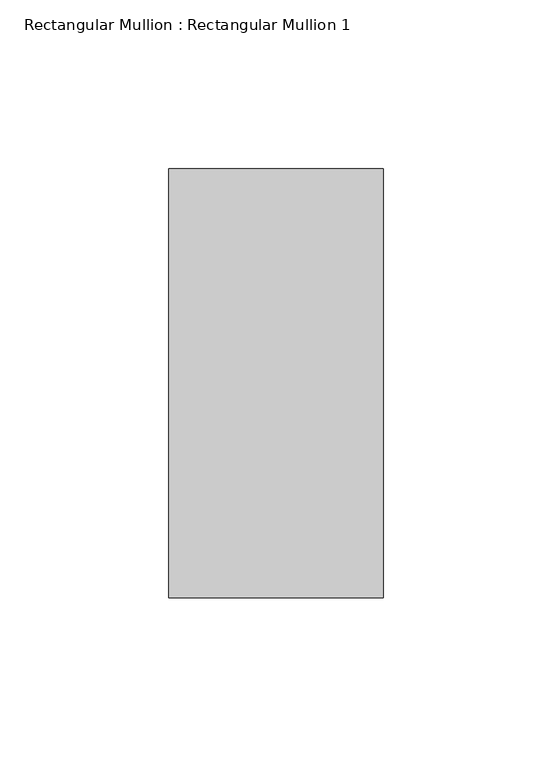
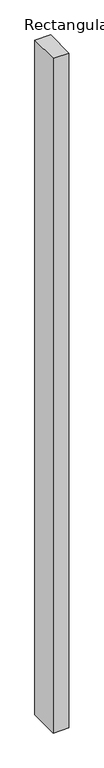
"""IFC4 building model written with IfcOpenShell, lengths in millimetres: member geometry, Rectangular Mullion : Rectangular Mullion 1."""

import ifcopenshell
import ifcopenshell.guid

model = None  # the IFC model being written
_history = None  # IfcOwnerHistory: only IFC2X3 demands one
_inside = {}  # id of a spatial element -> (the spatial element, [elements in it])
_under = {}  # id of a project, library or spatial element -> (it, [spatial elements below it])
_declared = {}  # id of a project -> (the project, [libraries it declares])
_typed = {}  # id of a type object -> (the type object, [elements of that type])
_made_of = {}  # id of a material, layer set ... -> (it, [elements and type objects made of it])


def new_model(schema):
    """Start an empty IFC model of exactly this schema.

    Asked for "IFC4X3", IfcOpenShell would pick the latest addendum, in which some entities
    have other attributes; the version numbers below select the first issue.
    IFC2X3 requires an IfcOwnerHistory on every rooted entity: one is made here for all.
    """
    global model, _history
    if schema == "IFC4X3":
        model = ifcopenshell.file(schema_version=(4, 3, 0, 0))
    else:
        model = ifcopenshell.file(schema=schema)
    _inside.clear()
    _under.clear()
    _declared.clear()
    _typed.clear()
    _made_of.clear()
    _history = None
    if model.schema == "IFC2X3":
        org = make("IfcOrganization", Name="unknown")
        user = make(
            "IfcPersonAndOrganization",
            ThePerson=make("IfcPerson", FamilyName="unknown"),
            TheOrganization=org,
        )
        app = make(
            "IfcApplication",
            ApplicationDeveloper=org,
            Version="unknown",
            ApplicationFullName="unknown",
            ApplicationIdentifier="unknown",
        )
        _history = make(
            "IfcOwnerHistory",
            OwningUser=user,
            OwningApplication=app,
            ChangeAction="ADDED",
            CreationDate=0,
        )
    return model


def make(cls, **values):
    """One entity of the class cls with the attributes given. An attribute that is None is left unset."""
    return model.create_entity(
        cls, **{name: value for name, value in values.items() if value is not None}
    )


def rooted(cls, **values):
    """An entity with a GlobalId (a new one), such as an element, a storey or a relation."""
    return make(cls, GlobalId=ifcopenshell.guid.new(), OwnerHistory=_history, **values)


def si_unit(unit_type, name, prefix=None):
    """IfcSIUnit, for example si_unit("LENGTHUNIT", "METRE", prefix="MILLI")."""
    return make("IfcSIUnit", UnitType=unit_type, Prefix=prefix, Name=name)


def assignment(units):
    """IfcUnitAssignment: the units of a project."""
    return None if units is None else make("IfcUnitAssignment", Units=units)


def point(xyz):
    """IfcCartesianPoint."""
    return None if xyz is None else make("IfcCartesianPoint", Coordinates=xyz)


def direction(xyz):
    """IfcDirection."""
    return None if xyz is None else make("IfcDirection", DirectionRatios=xyz)


def frame(location, z_axis=None, x_axis=None):
    """IfcAxis2Placement3D, a coordinate frame: its origin and axes. An axis left out is left unset."""
    return make(
        "IfcAxis2Placement3D",
        Location=point(location),
        Axis=direction(z_axis),
        RefDirection=direction(x_axis),
    )


def origin():
    """The frame at (0, 0, 0) with its axes left unset."""
    return frame((0.0, 0.0, 0.0))


def place(relative_to, where):
    """IfcLocalPlacement: puts the frame where relative to a parent placement (None: the world)."""
    return make(
        "IfcLocalPlacement", PlacementRelTo=relative_to, RelativePlacement=where
    )


def context(
    kind, dimensions, precision=None, world=None, true_north=None, identifier=None
):
    """IfcGeometricRepresentationContext, for example the 3D "Model" context."""
    return make(
        "IfcGeometricRepresentationContext",
        ContextIdentifier=identifier,
        ContextType=kind,
        CoordinateSpaceDimension=dimensions,
        Precision=precision,
        WorldCoordinateSystem=world,
        TrueNorth=true_north,
    )


def project(units=None, contexts=None):
    """IfcProject with its units and contexts."""
    return rooted(
        "IfcProject",
        Name="project",
        RepresentationContexts=contexts,
        UnitsInContext=assignment(units),
    )


def spatial(cls, under=None, at=None, **own):
    """A site, building, storey or space (cls), placed at a placement, below another one or the project."""
    s = rooted(cls, ObjectPlacement=at, **own)
    if under is not None:
        _under.setdefault(under.id(), (under, []))[1].append(s)
    return s


def polyline(points):
    """IfcPolyline through the points."""
    return make("IfcPolyline", Points=[point(p) for p in points])


def outline(outer, holes=None, kind="AREA"):
    """IfcArbitraryClosedProfileDef: a profile drawn as a closed curve; with holes, ...WithVoids."""
    if holes is None:
        return make("IfcArbitraryClosedProfileDef", ProfileType=kind, OuterCurve=outer)
    return make(
        "IfcArbitraryProfileDefWithVoids",
        ProfileType=kind,
        OuterCurve=outer,
        InnerCurves=holes,
    )


def extrude(swept, where, along, depth):
    """IfcExtrudedAreaSolid: the profile swept, set in the frame where, extruded along a direction by depth."""
    return make(
        "IfcExtrudedAreaSolid",
        SweptArea=swept,
        Position=where,
        ExtrudedDirection=direction(along),
        Depth=depth,
    )


def shape(context_of_items, identifier, shape_type, items):
    """IfcShapeRepresentation: the items that make up one representation, for example the "Body"."""
    return make(
        "IfcShapeRepresentation",
        ContextOfItems=context_of_items,
        RepresentationIdentifier=identifier,
        RepresentationType=shape_type,
        Items=items,
    )


def source(mapping_origin, context_of_items, identifier, shape_type, items):
    """IfcRepresentationMap: a shape defined once, which mapped items show again and again."""
    return make(
        "IfcRepresentationMap",
        MappingOrigin=mapping_origin,
        MappedRepresentation=shape(context_of_items, identifier, shape_type, items),
    )


def transform(
    local_origin,
    x_axis=None,
    y_axis=None,
    z_axis=None,
    scale=None,
    scale2=None,
    scale3=None,
    uniform=True,
):
    """IfcCartesianTransformationOperator3D, or its non-uniform kind. x_axis, y_axis, z_axis: its Axis1, 2, 3."""
    if uniform:
        return make(
            "IfcCartesianTransformationOperator3D",
            Axis1=direction(x_axis),
            Axis2=direction(y_axis),
            LocalOrigin=point(local_origin),
            Scale=scale,
            Axis3=direction(z_axis),
        )
    return make(
        "IfcCartesianTransformationOperator3DnonUniform",
        Axis1=direction(x_axis),
        Axis2=direction(y_axis),
        LocalOrigin=point(local_origin),
        Scale=scale,
        Axis3=direction(z_axis),
        Scale2=scale2,
        Scale3=scale3,
    )


def mapped(mapping_source, mapping_target):
    """IfcMappedItem: shows the shape of a source again, moved by a transform."""
    return make(
        "IfcMappedItem", MappingSource=mapping_source, MappingTarget=mapping_target
    )


def made_of(thing, what):
    """Note that an element or type object is made of a material, layer set ...; save() writes the relation."""
    if what is not None:
        _made_of.setdefault(what.id(), (what, []))[1].append(thing)
    return thing


def element(
    cls,
    number,
    at=None,
    inside=None,
    cuts=None,
    type_object=None,
    material=None,
    context=None,
    identifier="Body",
    shape_type=None,
    held_by="IfcProductDefinitionShape",
    body=None,
    shapes=None,
    **own,
):
    """One element of the class cls, such as IfcWall. Its Tag is "e" and its number.

    at: its placement. inside: the storey or other place that contains it. cuts: it is an
    opening in that element (IfcRelVoidsElement). A single representation is given by context,
    identifier, shape_type and body (its items); several are given by shapes. held_by: the class
    of the entity that holds the representations. save() writes the other relations.
    """
    e = rooted(cls, Tag="e%d" % number, ObjectPlacement=at, **own)
    if body is not None:
        shapes = [shape(context, identifier, shape_type, body)]
    if shapes is not None:
        e.Representation = make(held_by, Representations=shapes)
    if inside is not None:
        _inside.setdefault(inside.id(), (inside, []))[1].append(e)
    if cuts is not None:
        rooted(
            "IfcRelVoidsElement", RelatingBuildingElement=cuts, RelatedOpeningElement=e
        )
    if type_object is not None:
        _typed.setdefault(type_object.id(), (type_object, []))[1].append(e)
    return made_of(e, material)


def aggregate(whole, parts):
    """IfcRelAggregates: a whole, such as a stair, and the parts it consists of."""
    return rooted("IfcRelAggregates", RelatingObject=whole, RelatedObjects=parts)


def save(model, path):
    """Write the relations noted so far, then the file.

    IfcRelAggregates (storeys below a building ...), IfcRelContainedInSpatialStructure (elements
    in a storey), IfcRelDefinesByType, IfcRelAssociatesMaterial and IfcRelDeclares: one each for
    every whole, place, type object, material and project.
    """
    for whole, parts in _under.values():
        aggregate(whole, parts)
    for where, things in _inside.values():
        rooted(
            "IfcRelContainedInSpatialStructure",
            RelatedElements=things,
            RelatingStructure=where,
        )
    for kind, things in _typed.values():
        rooted("IfcRelDefinesByType", RelatedObjects=things, RelatingType=kind)
    for what, things in _made_of.values():
        rooted("IfcRelAssociatesMaterial", RelatedObjects=things, RelatingMaterial=what)
    for by, libraries in _declared.values():
        rooted("IfcRelDeclares", RelatingContext=by, RelatedDefinitions=libraries)
    model.write(path)


def rectangular_mullion_rectangular_mullion_1_2a34f2ac(model_context):
    return source(origin(), model_context, "Body", "SweptSolid", [
        extrude(outline(polyline([(31.75, 63.5), (31.75, -63.5), (-31.75, -63.5), (-31.75, 63.5), (31.75, 63.5)])), frame((0.0, 0.0, -2869.2139998), z_axis=(0.0, 0.0, 1.0), x_axis=(1.0, 0.0, 0.0)), (0.0, 0.0, 1.0), 2869.2139998),
    ])


if __name__ == "__main__":
    model = new_model("IFC4")
    model_context = context("Model", 3, world=origin())
    ifc_project = project(units=[si_unit("LENGTHUNIT", "METRE", prefix="MILLI")], contexts=[model_context])
    site = spatial("IfcSite", under=ifc_project)
    building = spatial("IfcBuilding", under=site)
    placement = place(None, origin())
    rectangular_mullion_rectangular_mullion_1_shape = rectangular_mullion_rectangular_mullion_1_2a34f2ac(model_context)
    element("IfcMember", 1, ObjectType="Rectangular Mullion : Rectangular Mullion 1", at=placement, inside=building, context=model_context, shape_type="MappedRepresentation", body=[
        mapped(rectangular_mullion_rectangular_mullion_1_shape, transform((0.0, 0.0, 0.0), x_axis=(1.0, 0.0, 0.0), y_axis=(0.0, 1.0, 0.0), z_axis=(0.0, 0.0, 1.0))),
    ])
    save(model, "model.ifc")
